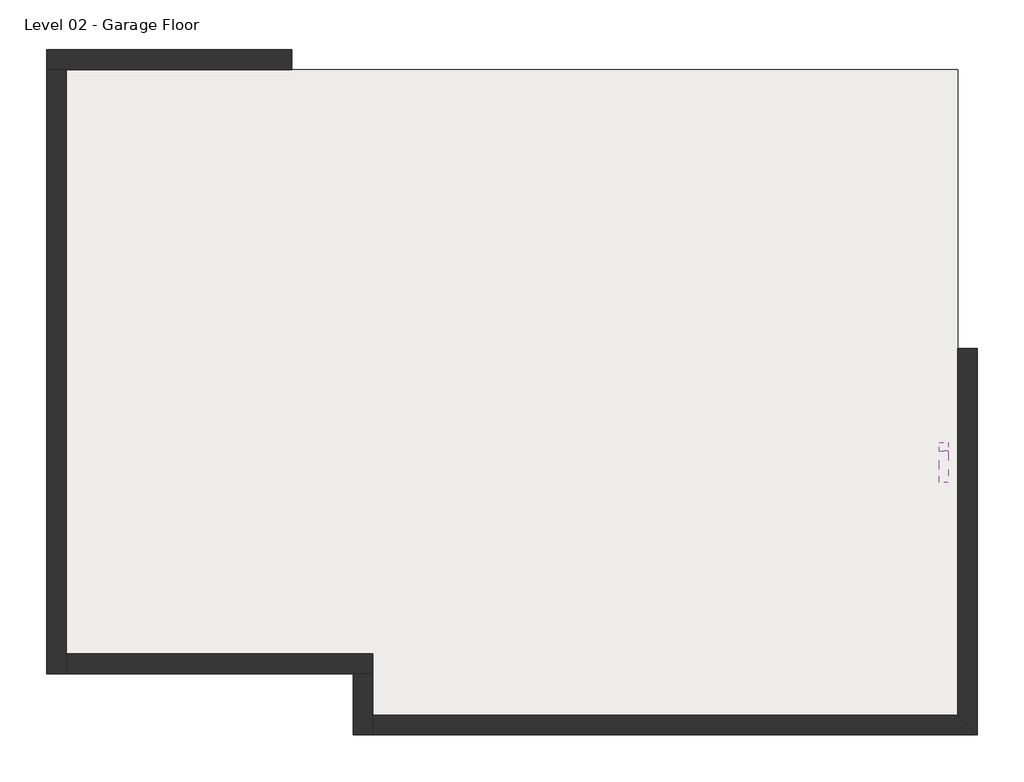
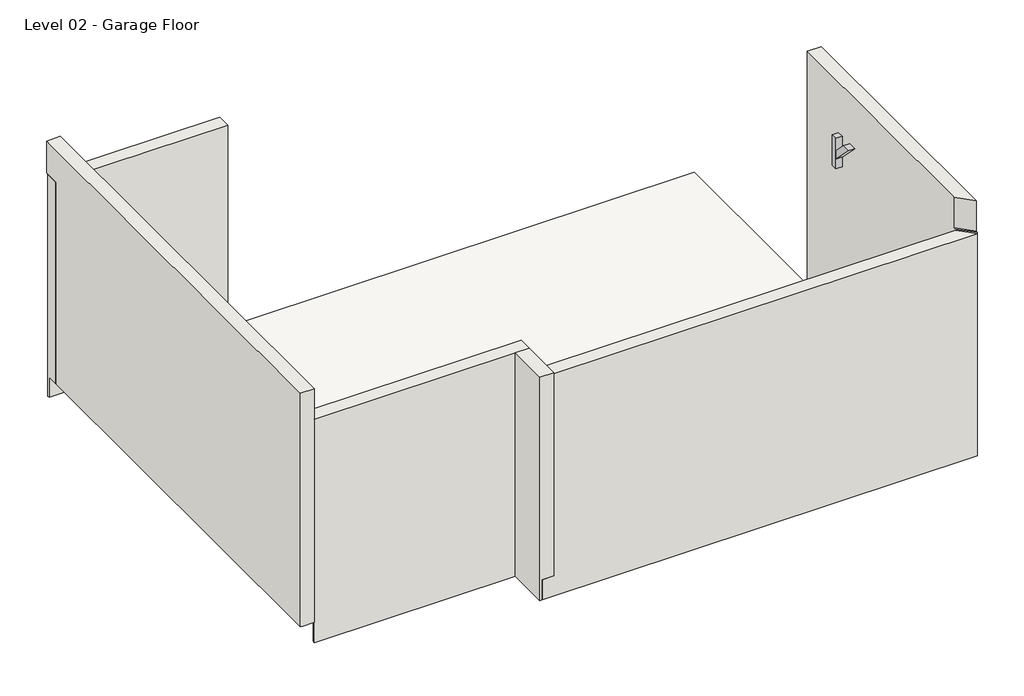
# One storey: 6 walls, 2 columns, 1 slab.
"""IFC4 building model written with IfcOpenShell, lengths in millimetres."""

from ifc_helpers import new_model, si_unit, frame, origin, place, context, project, spatial, polyline, outline, extrude, faceted_brep, element, save

model = new_model("IFC4")

# Units and contexts
model_context = context("Model", 3, world=origin())
ifc_project = project(units=[si_unit("LENGTHUNIT", "METRE", prefix="MILLI")], contexts=[model_context])

# Site, building, storey
site = spatial("IfcSite", under=ifc_project)
building = spatial("IfcBuilding", under=site)
storey = spatial("IfcBuildingStorey", under=building, Name="Level 02 - Garage Floor", Elevation=0.0)

# Columns
placement = place(None, origin())
element("IfcColumn", 1, ObjectType="Timber-Column : 4x4", at=placement, inside=storey, context=model_context, shape_type="SweptSolid", body=[
    extrude(outline(polyline([(-8626.6836843, -9473.9036867), (-8626.6836843, -9562.8036867), (-8715.5836843, -9562.8036867), (-8715.5836843, -9473.9036867), (-8626.6836843, -9473.9036867)])), frame((0.0, 0.0, 2421.0644727), z_axis=(0.0, 0.0, 1.0), x_axis=(1.0, 0.0, 0.0)), (0.0, 0.0, 1.0), 457.2),
])
element("IfcColumn", 2, ObjectType="Timber-Column : 4x4", at=placement, inside=storey, context=model_context, shape_type="SweptSolid", body=[
    extrude(outline(polyline([(-9746.8989372, 2877.82), (-9562.8036867, 2693.7247495), (-9562.8036867, 2568.0011638), (-9872.6225229, 2877.82), (-9746.8989372, 2877.82)])), frame((-8715.5836843, 0.0, 0.0), z_axis=(1.0, 0.0, 0.0), x_axis=(0.0, 1.0, 0.0)), (0.0, 0.0, 1.0), 88.9),
])

# Slab
element("IfcSlab", 3, ObjectType="Concrete slab 6\"", at=placement, inside=storey, context=model_context, shape_type="SweptSolid", body=[
    extrude(outline(polyline([(-17397.0201728, -5764.0031689), (-8532.4201728, -5764.0031689), (-8532.4201728, -12190.2031689), (-14361.7201728, -12190.2031689), (-14361.7201728, -11580.6031689), (-17397.0201728, -11580.6031689), (-17397.0201728, -5764.0031689)])), frame((0.0, 0.0, -152.4), z_axis=(0.0, 0.0, 1.0), x_axis=(1.0, 0.0, 0.0)), (0.0, 0.0, 1.0), 152.4),
])

# Walls
element("IfcWall", 4, ObjectType="Exterior - Lap siding on wood Stud", at=placement, inside=storey, context=model_context, shape_type="Brep", body=[
    faceted_brep([(-14349.0201728, -11777.4531689, 3048.0), (-14545.8701728, -11777.4531689, 3048.0), (-17397.0201728, -11777.4531689, 3048.0), (-17397.0201728, -11777.4531689, 0.0), (-17397.0201728, -11777.4531689, -304.8), (-14545.8701728, -11777.4531689, -304.8), (-14514.1201728, -11777.4531689, -304.8), (-14514.1201728, -11777.4531689, 0.0), (-14361.7201728, -11777.4531689, 0.0), (-14349.0201728, -11777.4531689, 0.0), (-17397.0201728, -11580.6031689, 3048.0), (-14349.0201728, -11580.6031689, 3048.0), (-14349.0201728, -11580.6031689, 0.0), (-14361.7201728, -11580.6031689, 0.0), (-17397.0201728, -11580.6031689, 0.0), (-14514.1201728, -11745.7031689, 0.0), (-17397.0201728, -11745.7031689, 0.0), (-14514.1201728, -11745.7031689, -304.8), (-17397.0201728, -11745.7031689, -304.8)], [[[0, 1, 2, 3, 4, 5, 6, 7, 8, 9]], [[10, 11, 12, 13, 14]], [[2, 1, 0, 11, 10]], [[12, 11, 0, 9]], [[7, 15, 16, 14, 13, 12, 9, 8]], [[17, 18, 16, 15]], [[6, 5, 4, 18, 17]], [[15, 7, 6, 17]], [[4, 3, 2, 10, 14, 16, 18]]]),
])
element("IfcWall", 5, ObjectType="Exterior - Lap siding on wood Stud", at=placement, inside=storey, context=model_context, shape_type="Brep", body=[
    faceted_brep([(-14545.8701728, -12387.0531689, 3048.0), (-14545.8701728, -11777.4531689, 3048.0), (-14545.8701728, -11777.4531689, -304.8), (-14545.8701728, -12387.0531689, -304.8), (-14349.0201728, -11777.4531689, 3048.0), (-14349.0201728, -12387.0531689, 3048.0), (-14349.0201728, -12387.0531689, 3028.95), (-14349.0201728, -12387.0531689, 0.0), (-14349.0201728, -12190.2031689, 0.0), (-14349.0201728, -11777.4531689, 0.0), (-14361.7201728, -11777.4531689, 0.0), (-14514.1201728, -11777.4531689, 0.0), (-14514.1201728, -11777.4531689, -304.8), (-14514.1201728, -12387.0531689, 0.0), (-14514.1201728, -12355.3031689, 0.0), (-14514.1201728, -12387.0531689, -304.8), (-14514.1201728, -12355.3031689, -304.8)], [[[0, 1, 2, 3]], [[4, 5, 6, 7, 8, 9]], [[1, 0, 5, 4]], [[2, 1, 4, 9, 10, 11, 12]], [[13, 14, 11, 10, 9, 8, 7]], [[12, 11, 14, 13, 15, 16]], [[3, 2, 12, 16, 15]], [[0, 3, 15, 13, 7, 6, 5]]]),
])
element("IfcWall", 6, ObjectType="Exterior - Lap siding on wood Stud", at=placement, inside=storey, context=model_context, shape_type="Brep", body=[
    faceted_brep([(-8335.5701728, -12387.0531689, 3028.95), (-14349.0201728, -12387.0531689, 3028.95), (-14349.0201728, -12387.0531689, 0.0), (-14514.1201728, -12387.0531689, 0.0), (-14514.1201728, -12387.0531689, -304.8), (-8335.5701728, -12387.0531689, -304.8), (-8532.4201728, -12190.2031689, 0.0), (-14349.0201728, -12190.2031689, 0.0), (-14349.0201728, -12190.2031689, 3028.95), (-8532.4201728, -12190.2031689, 3028.95), (-14514.1201728, -12355.3031689, -304.8), (-8367.3201728, -12355.3031689, -304.8), (-8367.3201728, -12355.3031689, 0.0), (-14349.0201728, -12355.3031689, 0.0), (-14514.1201728, -12355.3031689, 0.0)], [[[0, 1, 2, 3, 4, 5]], [[6, 7, 8, 9]], [[5, 4, 10, 11]], [[1, 0, 9, 8]], [[7, 6, 12, 13]], [[13, 12, 11, 10, 14]], [[1, 8, 7, 13, 2]], [[3, 2, 13, 14]], [[10, 4, 3, 14]], [[9, 0, 5, 11, 12, 6]]]),
])
element("IfcWall", 7, ObjectType="Exterior - Lap siding on wood Stud", at=placement, inside=storey, context=model_context, shape_type="Brep", body=[
    faceted_brep([(-8335.5701728, -12387.0531689, 0.0), (-8335.5701728, -8542.1281689, 0.0), (-8335.5701728, -8542.1281689, 3505.2), (-8335.5701728, -12355.3031689, 3505.2), (-8335.5701728, -12355.3031689, 3048.0), (-8335.5701728, -12387.0531689, 3048.0), (-8532.4201728, -12190.2031689, 0.0), (-8532.4201728, -12190.2031689, 3048.0), (-8532.4201728, -12158.4531689, 3048.0), (-8532.4201728, -12158.4531689, 3505.2), (-8532.4201728, -8542.1281689, 3505.2), (-8532.4201728, -8542.1281689, 0.0), (-8367.3201728, -8542.1281689, 0.0), (-8367.3201728, -12355.3031689, 0.0)], [[[0, 1, 2, 3, 4, 5]], [[6, 7, 8, 9, 10, 11]], [[2, 1, 12, 11, 10]], [[3, 2, 10, 9]], [[13, 6, 11, 12]], [[1, 0, 13, 12]], [[4, 8, 7, 5]], [[0, 5, 7, 6, 13]], [[3, 9, 8, 4]]]),
])
element("IfcWall", 8, ObjectType="Exterior - Lap siding on wood Stud", at=placement, inside=storey, context=model_context, shape_type="Brep", body=[
    faceted_brep([(-17397.0201728, -11777.4531689, 0.0), (-17397.0201728, -11745.7031689, 0.0), (-17397.0201728, -11580.6031689, 0.0), (-17397.0201728, -5764.0031689, 0.0), (-17397.0201728, -5764.0031689, 3028.95), (-17397.0201728, -5535.4031689, 3028.95), (-17397.0201728, -5535.4031689, 3352.8), (-17397.0201728, -5535.4031689, 3505.2), (-17397.0201728, -11777.4531689, 3505.2), (-17397.0201728, -11777.4531689, 3048.0), (-17593.8701728, -11777.4531689, 0.0), (-17593.8701728, -11777.4531689, 3505.2), (-17593.8701728, -5535.4031689, 3505.2), (-17593.8701728, -5535.4031689, 3028.95), (-17593.8701728, -5567.1531689, 3028.95), (-17593.8701728, -5764.0031689, 3028.95), (-17593.8701728, -5764.0031689, 0.0), (-17562.1201728, -11777.4531689, 0.0), (-17562.1201728, -5764.0031689, 0.0)], [[[0, 1, 2, 3, 4, 5, 6, 7, 8, 9]], [[10, 11, 12, 13, 14, 15, 16]], [[8, 7, 12, 11]], [[3, 2, 1, 0, 17, 18]], [[0, 9, 8, 11, 10, 17]], [[17, 10, 16, 18]], [[13, 5, 4, 15, 14]], [[4, 3, 18, 16, 15]], [[5, 13, 12, 7, 6]]]),
])
element("IfcWall", 9, ObjectType="Exterior - Lap siding on wood Stud", at=placement, inside=storey, context=model_context, shape_type="Brep", body=[
    faceted_brep([(-17593.8701728, -5764.0031689, 0.0), (-17397.0201728, -5764.0031689, 0.0), (-15155.4701728, -5764.0031689, 0.0), (-15155.4701728, -5764.0031689, 3028.95), (-17397.0201728, -5764.0031689, 3028.95), (-17562.1201728, -5764.0031689, 3028.95), (-17593.8701728, -5764.0031689, 3028.95), (-17593.8701728, -5567.1531689, -304.8), (-17593.8701728, -5567.1531689, 3028.95), (-17562.1201728, -5567.1531689, 3028.95), (-15155.4701728, -5567.1531689, 3028.95), (-15155.4701728, -5567.1531689, -304.8), (-17593.8701728, -5598.9031689, 0.0), (-15155.4701728, -5598.9031689, 0.0), (-17593.8701728, -5598.9031689, -304.8), (-15155.4701728, -5598.9031689, -304.8)], [[[0, 1, 2, 3, 4, 5, 6]], [[7, 8, 9, 10, 11]], [[2, 1, 0, 12, 13]], [[13, 12, 14, 15]], [[0, 6, 8, 7, 14, 12]], [[14, 7, 11, 15]], [[3, 2, 13, 15, 11, 10]], [[6, 5, 9, 8]], [[5, 4, 3, 10, 9]]]),
])

save(model, "model.ifc")
